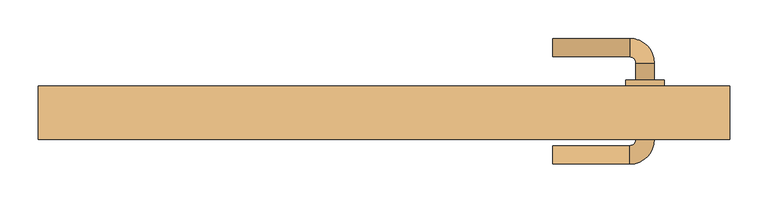
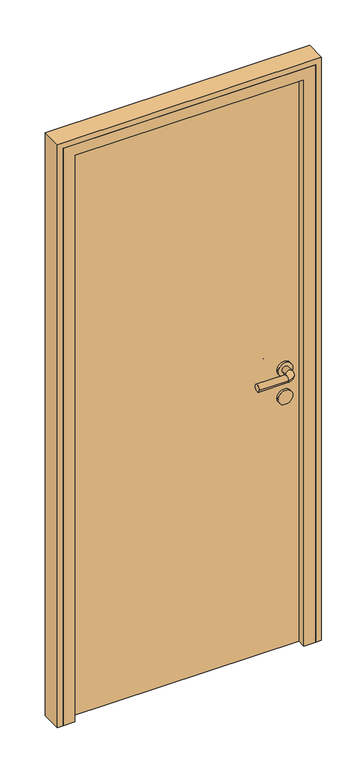
"""IFC4 building model written with IfcOpenShell, lengths in millimetres: door geometry."""

from ifc_helpers import new_model, si_unit, point, frame, frame_2d, origin, origin_with_axes, place, context, project, spatial, polyline, circle_curve, ellipse_curve, trimmed, segment, composite_curve, outline, extrude, faceted_brep, source, transform, mapped, element, save
from ifc_brep_helpers import plane_surface, cylinder_surface, revolved_surface, advanced_brep


def door_089124e1(model_context):
    return source(origin(), model_context, "Body", "SolidModel", [
        advanced_brep(
        [(220.0, 112.0, 1000.0), (220.0, 88.0, 1000.0), (320.0, 88.0, 1000.0), (320.0, 112.0, 1000.0), (328.0, 80.0, 1000.0), (352.0, 80.0, 1000.0), (352.0, -20.0, 1000.0), (352.0, 2.0, 1000.0), (328.0, 2.0, 1000.0), (328.0, -20.0, 1000.0), (328.0, 58.0, 1000.0), (352.0, 58.0, 1000.0), (320.0, -28.0, 1000.0), (320.0, -52.0, 1000.0), (220.0, -52.0, 1000.0), (220.0, -28.0, 1000.0), (365.0, 58.0, 1000.0), (315.0, 58.0, 1000.0), (365.0, 2.0, 1000.0), (315.0, 2.0, 1000.0)],
        [
            (0, 1, circle_curve(frame((220.0, 100.0, 1000.0), z_axis=(-1.0, 0.0, 0.0), x_axis=(0.0, -1.0, 0.0)), 12.0)),
            (1, 0, circle_curve(frame((220.0, 100.0, 1000.0), z_axis=(-1.0, 0.0, 0.0), x_axis=(0.0, -1.0, 0.0)), 12.0)),
            (1, 2),
            (2, 3, circle_curve(frame((320.0, 100.0, 1000.0), z_axis=(-1.0, 0.0, 0.0), x_axis=(0.0, -1.0, 0.0)), 12.0)),
            (3, 0),
            (3, 2, circle_curve(frame((320.0, 100.0, 1000.0), z_axis=(-1.0, 0.0, 0.0), x_axis=(0.0, -1.0, 0.0)), 12.0)),
            (2, 4, circle_curve(frame((320.0, 80.0, 1000.0), z_axis=(0.0, 0.0, -1.0), x_axis=(0.0, 1.0, 0.0)), 8.0)),
            (4, 5, circle_curve(frame((340.0, 80.0, 1000.0), z_axis=(0.0, 1.0, 0.0), x_axis=(-1.0, 0.0, 0.0)), 12.0)),
            (5, 3, circle_curve(frame((320.0, 80.0, 1000.0), z_axis=(0.0, 0.0, 1.0), x_axis=(0.0, 1.0, 0.0)), 32.0)),
            (5, 4, circle_curve(frame((340.0, 80.0, 1000.0), z_axis=(0.0, 1.0, 0.0), x_axis=(-1.0, 0.0, 0.0)), 12.0)),
            (6, 7),
            (7, 8, circle_curve(frame((340.0, 2.0, 1000.0), z_axis=(0.0, -1.0, 0.0), x_axis=(-1.0, 0.0, 0.0)), 12.0)),
            (8, 9),
            (9, 6, circle_curve(frame((340.0, -20.0, 1000.0), z_axis=(0.0, 1.0, 0.0), x_axis=(-1.0, 0.0, 0.0)), 12.0)),
            (4, 10),
            (10, 11, circle_curve(frame((340.0, 58.0, 1000.0), z_axis=(0.0, 1.0, 0.0), x_axis=(-1.0, 0.0, 0.0)), 12.0)),
            (11, 5),
            (11, 10, circle_curve(frame((340.0, 58.0, 1000.0), z_axis=(0.0, 1.0, 0.0), x_axis=(-1.0, 0.0, 0.0)), 12.0)),
            (8, 7, circle_curve(frame((340.0, 2.0, 1000.0), z_axis=(0.0, -1.0, 0.0), x_axis=(-1.0, 0.0, 0.0)), 12.0)),
            (6, 9, circle_curve(frame((340.0, -20.0, 1000.0), z_axis=(0.0, 1.0, 0.0), x_axis=(-1.0, 0.0, 0.0)), 12.0)),
            (9, 12, circle_curve(frame((320.0, -20.0, 1000.0), z_axis=(0.0, 0.0, -1.0), x_axis=(1.0, 0.0, 0.0)), 8.0)),
            (12, 13, circle_curve(frame((320.0, -40.0, 1000.0), z_axis=(1.0, 0.0, 0.0), x_axis=(0.0, 1.0, 0.0)), 12.0)),
            (13, 6, circle_curve(frame((320.0, -20.0, 1000.0), z_axis=(0.0, 0.0, 1.0), x_axis=(1.0, 0.0, 0.0)), 32.0)),
            (13, 12, circle_curve(frame((320.0, -40.0, 1000.0), z_axis=(1.0, 0.0, 0.0), x_axis=(0.0, 1.0, 0.0)), 12.0)),
            (14, 15, circle_curve(frame((220.0, -40.0, 1000.0), z_axis=(-1.0, 0.0, 0.0), x_axis=(0.0, 1.0, 0.0)), 12.0)),
            (15, 14, circle_curve(frame((220.0, -40.0, 1000.0), z_axis=(-1.0, 0.0, 0.0), x_axis=(0.0, 1.0, 0.0)), 12.0)),
            (12, 15),
            (14, 13),
            (16, 17, circle_curve(frame((340.0, 58.0, 1000.0), z_axis=(0.0, 1.0, 0.0), x_axis=(-1.0, 0.0, 0.0)), 25.0)),
            (17, 16, circle_curve(frame((340.0, 58.0, 1000.0), z_axis=(0.0, 1.0, 0.0), x_axis=(-1.0, 0.0, 0.0)), 25.0)),
            (18, 19, circle_curve(frame((340.0, 2.0, 1000.0), z_axis=(0.0, -1.0, 0.0), x_axis=(-1.0, 0.0, 0.0)), 25.0)),
            (19, 18, circle_curve(frame((340.0, 2.0, 1000.0), z_axis=(0.0, -1.0, 0.0), x_axis=(-1.0, 0.0, 0.0)), 25.0)),
            (16, 18),
            (19, 17),
        ],
        [
            plane_surface(frame((220.0, 100.0, 1000.0), z_axis=(-1.0, 0.0, 0.0), x_axis=(0.0, 0.0, 1.0))),
            cylinder_surface(frame((220.0, 100.0, 1000.0), z_axis=(-1.0, 0.0, 0.0), x_axis=(0.0, -1.0, 0.0)), 12.0),
            revolved_surface(trimmed(ellipse_curve(frame((320.0, 100.0, 1000.0), z_axis=(1.0, 0.0, 0.0), x_axis=(0.0, -1.0, 0.0)), 12.0, 12.0), [point((320.0, 112.0, 1000.0))], [point((320.0, 88.0, 1000.0))], True, "CARTESIAN"), (320.0, 80.0, 1000.0), (0.0, 0.0, 1.0)),
            revolved_surface(trimmed(ellipse_curve(frame((320.0, 100.0, 1000.0), z_axis=(1.0, 0.0, 0.0), x_axis=(0.0, -1.0, 0.0)), 12.0, 12.0), [point((320.0, 88.0, 1000.0))], [point((320.0, 112.0, 1000.0))], True, "CARTESIAN"), (320.0, 80.0, 1000.0), (0.0, 0.0, 1.0)),
            cylinder_surface(frame((340.0, 80.0, 1000.0), z_axis=(0.0, 1.0, 0.0), x_axis=(-1.0, 0.0, 0.0)), 12.0),
            revolved_surface(trimmed(ellipse_curve(frame((340.0, -20.0, 1000.0), z_axis=(0.0, -1.0, 0.0), x_axis=(-1.0, 0.0, 0.0)), 12.0, 12.0), [point((352.0, -20.0, 1000.0))], [point((328.0, -20.0, 1000.0))], True, "CARTESIAN"), (320.0, -20.0, 1000.0), (0.0, 0.0, 1.0)),
            revolved_surface(trimmed(ellipse_curve(frame((340.0, -20.0, 1000.0), z_axis=(0.0, -1.0, 0.0), x_axis=(-1.0, 0.0, 0.0)), 12.0, 12.0), [point((328.0, -20.0, 1000.0))], [point((352.0, -20.0, 1000.0))], True, "CARTESIAN"), (320.0, -20.0, 1000.0), (0.0, 0.0, 1.0)),
            plane_surface(frame((220.0, -40.0, 1000.0), z_axis=(-1.0, 0.0, 0.0), x_axis=(0.0, 0.0, 1.0))),
            cylinder_surface(frame((320.0, -40.0, 1000.0), z_axis=(1.0, 0.0, 0.0), x_axis=(0.0, 1.0, 0.0)), 12.0),
            plane_surface(frame((315.0, 58.0, 1000.0), z_axis=(0.0, 1.0, 0.0), x_axis=(0.0, 0.0, -1.0))),
            plane_surface(frame((315.0, 2.0, 1000.0), z_axis=(0.0, -1.0, 0.0), x_axis=(0.0, 0.0, 1.0))),
            cylinder_surface(frame((340.0, 58.0, 1000.0), z_axis=(0.0, -1.0, 0.0), x_axis=(-1.0, 0.0, 0.0)), 25.0),
        ],
        [
            (0, [[1, 2]]),
            (1, [[3, 4, 5, -2]]),
            (1, [[-5, 6, -3, -1]]),
            (2, [[7, 8, 9, -4]]),
            (3, [[-9, 10, -7, -6]]),
            (4, [[11, 12, 13, 14]]),
            (4, [[15, 16, 17, -8]]),
            (4, [[-17, 18, -15, -10]]),
            (4, [[-13, 19, -11, 20]]),
            (5, [[21, 22, 23, -14]]),
            (6, [[-23, 24, -21, -20]]),
            (7, [[25, 26]]),
            (8, [[27, -25, 28, -22]]),
            (8, [[-28, -26, -27, -24]]),
            (9, [[29, 30], [-18, -16]]),
            (10, [[31, 32], [-19, -12]]),
            (11, [[33, -32, 34, -29]]),
            (11, [[-34, -31, -33, -30]]),
        ],
    ),
        extrude(outline(composite_curve([segment(trimmed(circle_curve(frame_2d((900.0, 340.0)), 25.0), [point((900.0, 365.0))], [point((900.0, 315.0))], False, "CARTESIAN"), True, "CONTINUOUS"), segment(trimmed(circle_curve(frame_2d((900.0, 340.0)), 25.0), [point((900.0, 315.0))], [point((900.0, 365.0))], False, "CARTESIAN"), True, "CONTINUOUS")], self_intersect=False)), frame((0.0, 2.0, 0.0), z_axis=(0.0, 1.0, 0.0), x_axis=(0.0, 0.0, 1.0)), (0.0, 0.0, 1.0), 56.0),
        extrude(outline(polyline([(400.0, 10.0), (-400.0, 10.0), (-400.0, 50.0), (400.0, 50.0), (400.0, 10.0)])), origin_with_axes(), (0.0, 0.0, 1.0), 2050.0),
        extrude(outline(polyline([(0.0, 450.0), (2100.0, 450.0), (2100.0, -450.0), (0.0, -450.0), (0.0, -430.0), (2080.0, -430.0), (2080.0, 430.0), (0.0, 430.0), (0.0, 450.0)])), frame((0.0, -20.0, 0.0), z_axis=(0.0, 1.0, 0.0), x_axis=(0.0, 0.0, 1.0)), (0.0, 0.0, 1.0), 70.0),
        faceted_brep([(-430.0, -20.0, 0.0), (-430.0, 50.0, 0.0), (-400.0, 50.0, 0.0), (-400.0, 10.0, 0.0), (-390.0, 10.0, 0.0), (-390.0, -20.0, 0.0), (-430.0, -20.0, 2080.0), (-430.0, 50.0, 2080.0), (430.0, 50.0, 2080.0), (430.0, 50.0, 0.0), (400.0, 50.0, 0.0), (400.0, 50.0, 2050.0), (-400.0, 50.0, 2050.0), (-400.0, 10.0, 2050.0), (400.0, 10.0, 2050.0), (400.0, 10.0, 0.0), (390.0, 10.0, 0.0), (390.0, 10.0, 2040.0), (-390.0, 10.0, 2040.0), (-390.0, -20.0, 2040.0), (390.0, -20.0, 2040.0), (390.0, -20.0, 0.0), (430.0, -20.0, 0.0), (430.0, -20.0, 2080.0)], [[[0, 1, 2, 3, 4, 5]], [[1, 0, 6, 7]], [[2, 1, 7, 8, 9, 10, 11, 12]], [[3, 2, 12, 13]], [[4, 3, 13, 14, 15, 16, 17, 18]], [[5, 4, 18, 19]], [[0, 5, 19, 20, 21, 22, 23, 6]], [[7, 6, 23, 8]], [[13, 12, 11, 14]], [[19, 18, 17, 20]], [[22, 21, 16, 15, 10, 9]], [[8, 23, 22, 9]], [[14, 11, 10, 15]], [[20, 17, 16, 21]]]),
    ])


if __name__ == "__main__":
    model = new_model("IFC4")
    model_context = context("Model", 3, world=origin())
    ifc_project = project(units=[si_unit("LENGTHUNIT", "METRE", prefix="MILLI")], contexts=[model_context])
    site = spatial("IfcSite", under=ifc_project)
    building = spatial("IfcBuilding", under=site)
    placement = place(None, origin())
    door_shape = door_089124e1(model_context)
    element("IfcDoor", 1, at=placement, inside=building, context=model_context, shape_type="MappedRepresentation", body=[
        mapped(door_shape, transform((0.0, 0.0, 0.0), x_axis=(1.0, 0.0, 0.0), y_axis=(0.0, 1.0, 0.0), z_axis=(0.0, 0.0, 1.0))),
    ])
    save(model, "model.ifc")
